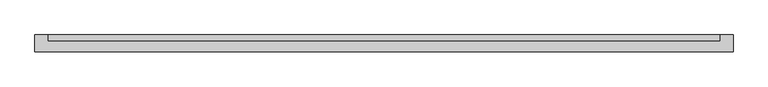
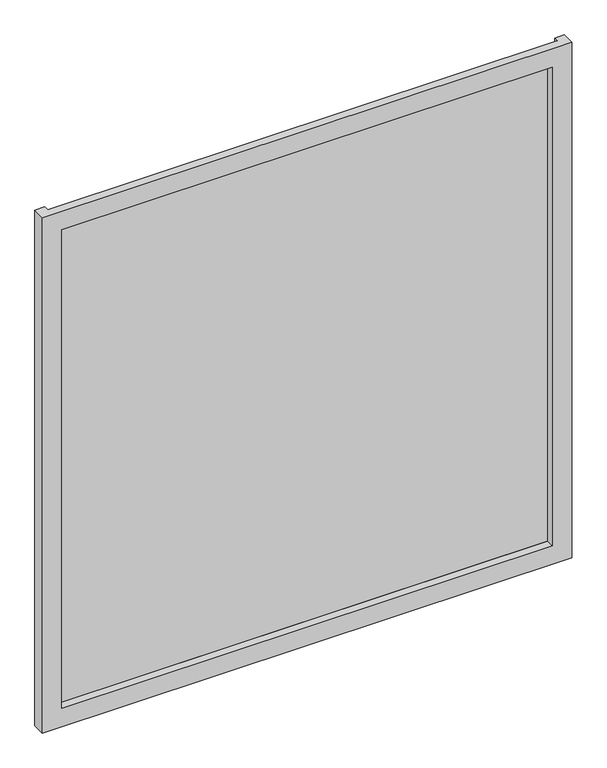
"""IFC4 building model written with IfcOpenShell, lengths in millimetres: plate geometry."""

from ifc_helpers import new_model, si_unit, origin, origin_with_axes, place, context, project, spatial, polyline, outline, extrude, faceted_brep, source, transform, mapped, element, save


def plate_9ecbb81b(model_context):
    return source(origin(), model_context, "Body", "SolidModel", [
        faceted_brep([(675.0, -50.9, -50.0), (675.0, -83.3, -50.0), (-675.0, -83.3, -50.0), (-675.0, -50.9, -50.0), (-650.0, -50.9, -50.0), (-650.0, -63.3, -50.0), (650.0, -63.3, -50.0), (650.0, -50.9, -50.0), (625.0, -83.3, 0.0), (625.0, -63.3, 0.0), (-625.0, -63.3, 0.0), (-625.0, -83.3, 0.0), (675.0, -83.3, 1340.0), (-675.0, -83.3, 1340.0), (-625.0, -83.3, 1290.0), (625.0, -83.3, 1290.0), (-650.0, -63.3, 1340.0), (650.0, -63.3, 1340.0), (625.0, -63.3, 1290.0), (-625.0, -63.3, 1290.0), (675.0, -50.9, 1340.0), (650.0, -50.9, 1340.0), (-650.0, -50.9, 1340.0), (-675.0, -50.9, 1340.0)], [[[0, 1, 2, 3, 4, 5, 6, 7]], [[8, 9, 10, 11]], [[12, 13, 2, 1], [11, 14, 15, 8]], [[16, 17, 6, 5], [9, 18, 19, 10]], [[20, 21, 17, 16, 22, 23, 13, 12]], [[20, 0, 7, 21]], [[21, 7, 6, 17]], [[8, 15, 18, 9]], [[12, 1, 0, 20]], [[22, 4, 3, 23]], [[16, 5, 4, 22]], [[10, 19, 14, 11]], [[23, 3, 2, 13]], [[18, 15, 14, 19]]]),
        extrude(outline(polyline([(650.0, -50.9), (650.0, -63.3), (-650.0, -63.3), (-650.0, -50.9), (650.0, -50.9)])), origin_with_axes(), (0.0, 0.0, 1.0), 1290.0),
    ])


if __name__ == "__main__":
    model = new_model("IFC4")
    model_context = context("Model", 3, world=origin())
    ifc_project = project(units=[si_unit("LENGTHUNIT", "METRE", prefix="MILLI")], contexts=[model_context])
    site = spatial("IfcSite", under=ifc_project)
    building = spatial("IfcBuilding", under=site)
    placement = place(None, origin())
    plate_shape = plate_9ecbb81b(model_context)
    element("IfcPlate", 1, at=placement, inside=building, context=model_context, shape_type="MappedRepresentation", body=[
        mapped(plate_shape, transform((0.0, 0.0, 0.0), x_axis=(1.0, 0.0, 0.0), y_axis=(0.0, 1.0, 0.0), z_axis=(0.0, 0.0, 1.0))),
    ])
    save(model, "model.ifc")
